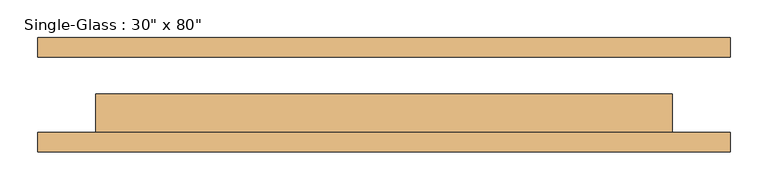
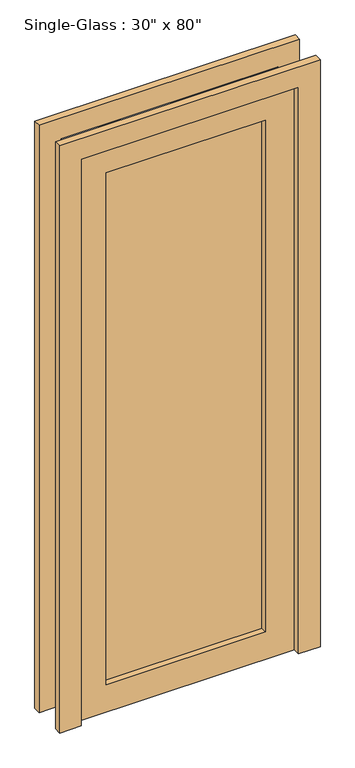
"""IFC4 building model written with IfcOpenShell, lengths in millimetres: door geometry."""

from ifc_helpers import new_model, si_unit, frame, origin, place, context, project, spatial, polyline, outline, extrude, source, transform, mapped, element, save


def door_41853a3b(model_context):
    return source(origin(), model_context, "Body", "SweptSolid", [
        extrude(outline(polyline([(2100.0, 381.0), (0.0, 381.0), (0.0, 457.2), (2176.2, 457.2), (2176.2, -457.2), (0.0, -457.2), (0.0, -381.0), (2100.0, -381.0), (2100.0, 381.0)])), frame((0.0, 50.0, 0.0), z_axis=(0.0, 1.0, 0.0), x_axis=(0.0, 0.0, 1.0)), (0.0, 0.0, 1.0), 25.4),
        extrude(outline(polyline([(2100.0, 381.0), (0.0, 381.0), (0.0, 457.2), (2176.2, 457.2), (2176.2, -457.2), (0.0, -457.2), (0.0, -381.0), (2100.0, -381.0), (2100.0, 381.0)])), frame((0.0, -75.4, 0.0), z_axis=(0.0, 1.0, 0.0), x_axis=(0.0, 0.0, 1.0)), (0.0, 0.0, 1.0), 25.4),
        extrude(outline(polyline([(279.4, -21.425), (279.4, -27.775), (-279.4, -27.775), (-279.4, -21.425), (279.4, -21.425)])), frame((0.0, 0.0, 101.6), z_axis=(0.0, 0.0, 1.0), x_axis=(1.0, 0.0, 0.0)), (0.0, 0.0, 1.0), 1896.8),
        extrude(outline(polyline([(2100.0, 381.0), (2100.0, -381.0), (0.0, -381.0), (0.0, 381.0), (2100.0, 381.0)]), holes=[polyline([(1998.4, -279.4), (1998.4, 279.4), (101.6, 279.4), (101.6, -279.4), (1998.4, -279.4)])]), frame((0.0, -50.0, 0.0), z_axis=(0.0, 1.0, 0.0), x_axis=(0.0, 0.0, 1.0)), (0.0, 0.0, 1.0), 50.8),
    ])


if __name__ == "__main__":
    model = new_model("IFC4")
    model_context = context("Model", 3, world=origin())
    ifc_project = project(units=[si_unit("LENGTHUNIT", "METRE", prefix="MILLI")], contexts=[model_context])
    site = spatial("IfcSite", under=ifc_project)
    building = spatial("IfcBuilding", under=site)
    placement = place(None, origin())
    door_shape = door_41853a3b(model_context)
    element("IfcDoor", 1, ObjectType="Single-Glass : 30\" x 80\"", at=placement, inside=building, context=model_context, shape_type="MappedRepresentation", body=[
        mapped(door_shape, transform((0.0, 0.0, 0.0), x_axis=(1.0, 0.0, 0.0), y_axis=(0.0, 1.0, 0.0), z_axis=(0.0, 0.0, 1.0))),
    ])
    save(model, "model.ifc")
